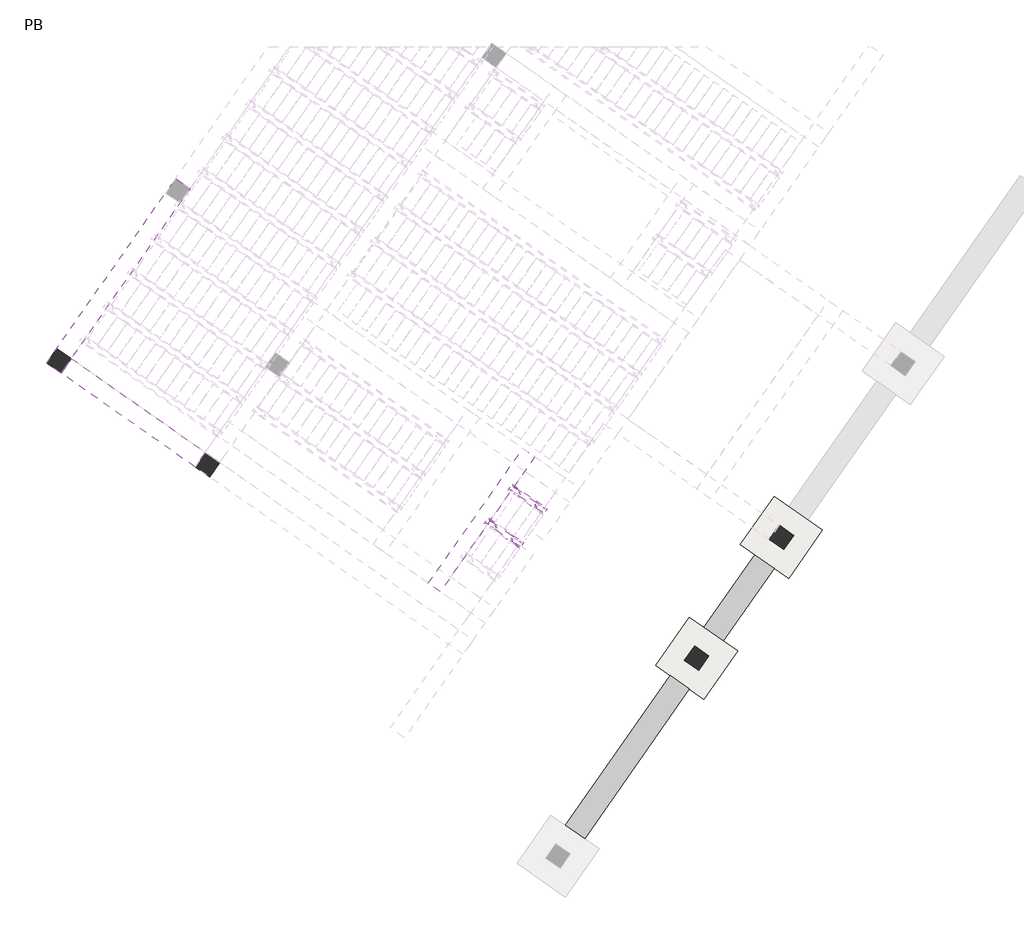
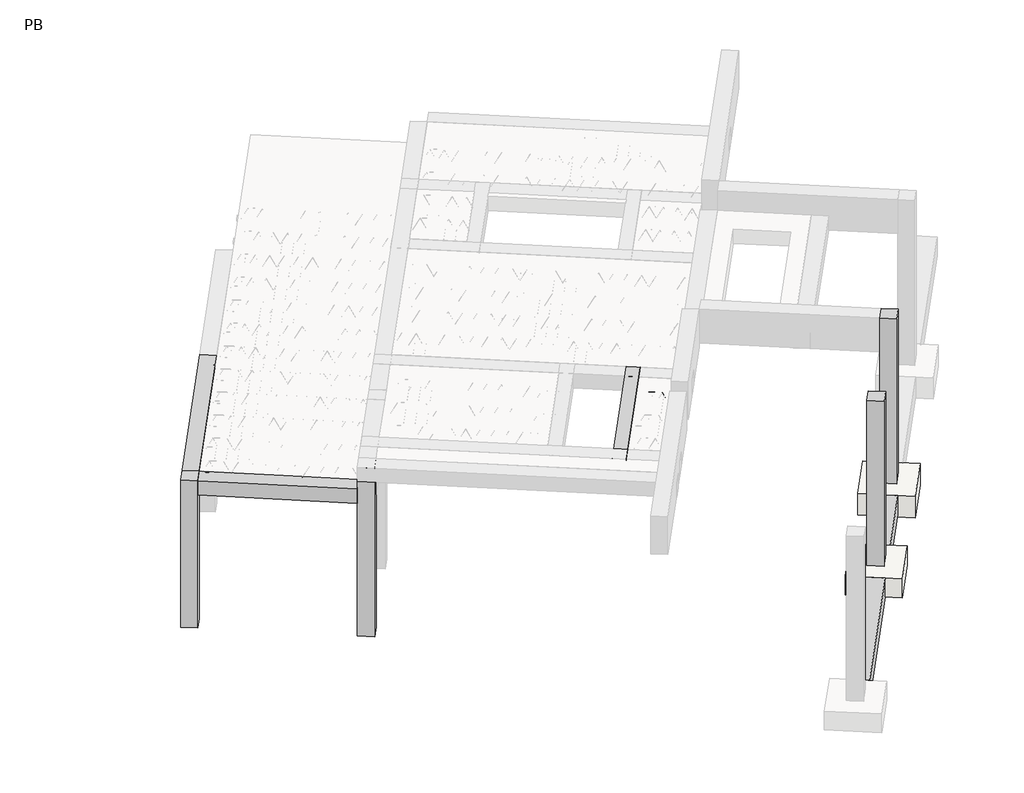
# One storey, part 4 of 56: 11 beams, 4 columns, 2 footings.
"""IFC4 building model written with IfcOpenShell, lengths in millimetres."""

from ifc_helpers import new_model, si_unit, point, frame, origin, origin_2d, place, context, project, spatial, polyline, circle_curve, trimmed, segment, composite_curve, outline, extrude, element, save

model = new_model("IFC4")

# Units and contexts
model_context = context("Model", 3, world=origin())
ifc_project = project(units=[si_unit("LENGTHUNIT", "METRE", prefix="MILLI")], contexts=[model_context])

# Site, building, storey
site = spatial("IfcSite", under=ifc_project)
building = spatial("IfcBuilding", under=site)
storey = spatial("IfcBuildingStorey", under=building, Name="PB", Elevation=95940.0)

# Beams
placement = place(None, origin())
element("IfcBeam", 1, at=placement, inside=storey, context=model_context, shape_type="SweptSolid", body=[
    extrude(outline(polyline([(7368.9831139, -5801.6008449), (7041.3222962, -5572.1702703), (8825.1267966, -3024.6334289), (9152.7876143, -3254.0640035), (7368.9831139, -5801.6008449)])), frame((0.0, 0.0, 96120.0), z_axis=(0.0, 0.0, 1.0), x_axis=(1.0, 0.0, 0.0)), (0.0, 0.0, 1.0), 400.0),
])
element("IfcBeam", 2, at=placement, inside=storey, context=model_context, shape_type="SweptSolid", body=[
    extrude(outline(polyline([(9726.3640506, -2434.9119592), (9398.7032329, -2205.4813846), (10264.8218686, -968.5357815), (10592.4826864, -1197.9663561), (9726.3640506, -2434.9119592)])), frame((0.0, 0.0, 96120.0), z_axis=(0.0, 0.0, 1.0), x_axis=(1.0, 0.0, 0.0)), (0.0, 0.0, 1.0), 400.0),
])
element("IfcBeam", 3, at=placement, inside=storey, context=model_context, shape_type="SweptSolid", body=[
    extrude(outline(polyline([(-1214.677489, 2669.8249768), (-1145.8483166, 2768.1232221), (1217.2245664, 1113.481776), (1148.395394, 1015.1835307), (-1214.677489, 2669.8249768)])), frame((0.0, 0.0, 98760.0), z_axis=(0.0, 0.0, 1.0), x_axis=(1.0, 0.0, 0.0)), (0.0, 0.0, 1.0), 50.0),
])
element("IfcBeam", 4, at=placement, inside=storey, context=model_context, shape_type="SweptSolid", body=[
    extrude(outline(composite_curve([segment(trimmed(circle_curve(origin_2d(), 2.5), [point((-2.5, 0.0))], [point((2.5, 0.0))], False, "CARTESIAN"), True, "CONTINUOUS"), segment(trimmed(circle_curve(origin_2d(), 2.5), [point((2.5, 0.0))], [point((-2.5, 0.0))], False, "CARTESIAN"), True, "CONTINUOUS")], self_intersect=False)), frame((6258.7979423, -824.7758428, 99245.0), z_axis=(-0.8191520442696126, 0.5735764363787226, 0.0), x_axis=(0.5735764363787226, 0.8191520442696126, 0.0)), (0.0, 0.0, 1.0), 682.3695664),
    extrude(outline(composite_curve([segment(trimmed(circle_curve(origin_2d(), 2.5), [point((-2.5, 0.0))], [point((2.5, 0.0))], False, "CARTESIAN"), True, "CONTINUOUS"), segment(trimmed(circle_curve(origin_2d(), 2.5), [point((2.5, 0.0))], [point((-2.5, 0.0))], False, "CARTESIAN"), True, "CONTINUOUS")], self_intersect=False)), frame((6143.3160892, -699.9666935, 99470.0), z_axis=(-0.8191520442696126, 0.5735764363787226, 0.0), x_axis=(0.5735764363787226, 0.8191520442696126, 0.0)), (0.0, 0.0, 1.0), 350.0),
    extrude(outline(composite_curve([segment(trimmed(circle_curve(origin_2d(), 2.5), [point((-2.5, 0.0))], [point((2.5, 0.0))], False, "CARTESIAN"), True, "CONTINUOUS"), segment(trimmed(circle_curve(origin_2d(), 2.5), [point((2.5, 0.0))], [point((-2.5, 0.0))], False, "CARTESIAN"), True, "CONTINUOUS")], self_intersect=False)), frame((6184.1037408, -772.4743998, 99245.0), z_axis=(-0.3145304735701046, 0.38933448886848654, 0.8657304643902053), x_axis=(0.7778747638402499, 0.6284193279813057, 0.0)), (0.0, 0.0, 1.0), 259.8961331),
    extrude(outline(composite_curve([segment(trimmed(circle_curve(origin_2d(), 2.5), [point((2.5, 0.0))], [point((-2.5, 0.0))], False, "CARTESIAN"), True, "CONTINUOUS"), segment(trimmed(circle_curve(origin_2d(), 2.5), [point((-2.5, 0.0))], [point((2.5, 0.0))], False, "CARTESIAN"), True, "CONTINUOUS")], self_intersect=False)), frame((5979.3157297, -629.0802907, 99245.0), z_axis=(0.47343050384693375, -0.16240172737369005, 0.8657304643902051), x_axis=(-0.3244721671091268, -0.9458952440791246, 0.0)), (0.0, 0.0, 1.0), 259.8961331),
    extrude(outline(composite_curve([segment(trimmed(circle_curve(origin_2d(), 2.5), [point((-2.5, 0.0))], [point((2.5, 0.0))], False, "CARTESIAN"), True, "CONTINUOUS"), segment(trimmed(circle_curve(origin_2d(), 2.5), [point((2.5, 0.0))], [point((-2.5, 0.0))], False, "CARTESIAN"), True, "CONTINUOUS")], self_intersect=False)), frame((5979.3157297, -629.0802907, 99245.0), z_axis=(-0.3145304735701046, 0.38933448886848654, 0.8657304643902053), x_axis=(0.7778747638402499, 0.6284193279813057, 0.0)), (0.0, 0.0, 1.0), 259.8961331),
    extrude(outline(composite_curve([segment(trimmed(circle_curve(origin_2d(), 2.5), [point((2.5, 0.0))], [point((-2.5, 0.0))], False, "CARTESIAN"), True, "CONTINUOUS"), segment(trimmed(circle_curve(origin_2d(), 2.5), [point((-2.5, 0.0))], [point((2.5, 0.0))], False, "CARTESIAN"), True, "CONTINUOUS")], self_intersect=False)), frame((5774.5277186, -485.6861816, 99245.0), z_axis=(0.47343050384693375, -0.16240172737369005, 0.8657304643902051), x_axis=(-0.3244721671091268, -0.9458952440791246, 0.0)), (0.0, 0.0, 1.0), 259.8961331),
    extrude(outline(composite_curve([segment(trimmed(circle_curve(origin_2d(), 2.5), [point((-2.4999999, 0.0))], [point((2.5, 0.0))], False, "CARTESIAN"), True, "CONTINUOUS"), segment(trimmed(circle_curve(origin_2d(), 2.5), [point((2.5, 0.0))], [point((-2.4999999, 0.0))], False, "CARTESIAN"), True, "CONTINUOUS")], self_intersect=False)), frame((6300.0954457, -765.7968956, 99245.0), z_axis=(-0.8191520442696126, 0.5735764363787226, 0.0), x_axis=(0.5735764363787226, 0.8191520442696126, 0.0)), (0.0, 0.0, 1.0), 682.3695664),
    extrude(outline(composite_curve([segment(trimmed(circle_curve(origin_2d(), 2.5), [point((-2.5, 0.0))], [point((2.5, 0.0))], False, "CARTESIAN"), True, "CONTINUOUS"), segment(trimmed(circle_curve(origin_2d(), 2.5), [point((2.5, 0.0))], [point((-2.5, 0.0))], False, "CARTESIAN"), True, "CONTINUOUS")], self_intersect=False)), frame((6225.4012442, -713.4954526, 99245.0), z_axis=(-0.47343050384693375, 0.16240172737369005, 0.8657304643902051), x_axis=(0.3244721671091268, 0.9458952440791246, 0.0)), (0.0, 0.0, 1.0), 259.8961331),
    extrude(outline(composite_curve([segment(trimmed(circle_curve(origin_2d(), 2.5), [point((2.5, 0.0))], [point((-2.5, 0.0))], False, "CARTESIAN"), True, "CONTINUOUS"), segment(trimmed(circle_curve(origin_2d(), 2.5), [point((-2.5, 0.0))], [point((2.5, 0.0))], False, "CARTESIAN"), True, "CONTINUOUS")], self_intersect=False)), frame((6020.6132331, -570.1013435, 99245.0), z_axis=(0.3145304735701046, -0.38933448886848654, 0.8657304643902053), x_axis=(-0.7778747638402499, -0.6284193279813057, 0.0)), (0.0, 0.0, 1.0), 259.8961331),
    extrude(outline(composite_curve([segment(trimmed(circle_curve(origin_2d(), 2.5), [point((-2.5, 0.0))], [point((2.5, 0.0))], False, "CARTESIAN"), True, "CONTINUOUS"), segment(trimmed(circle_curve(origin_2d(), 2.5), [point((2.5, 0.0))], [point((-2.5, 0.0))], False, "CARTESIAN"), True, "CONTINUOUS")], self_intersect=False)), frame((6020.6132331, -570.1013435, 99245.0), z_axis=(-0.47343050384693375, 0.16240172737369005, 0.8657304643902051), x_axis=(0.3244721671091268, 0.9458952440791246, 0.0)), (0.0, 0.0, 1.0), 259.8961331),
    extrude(outline(composite_curve([segment(trimmed(circle_curve(origin_2d(), 2.5), [point((2.5, 0.0))], [point((-2.5000001, 1e-07))], False, "CARTESIAN"), True, "CONTINUOUS"), segment(trimmed(circle_curve(origin_2d(), 2.5), [point((-2.5000001, 1e-07))], [point((2.5, 0.0))], False, "CARTESIAN"), True, "CONTINUOUS")], self_intersect=False)), frame((5815.825222, -426.7072344, 99245.0), z_axis=(0.3145304735701046, -0.38933448886848654, 0.8657304643902053), x_axis=(-0.7778747638402499, -0.6284193279813057, 0.0)), (0.0, 0.0, 1.0), 259.8961331),
])
element("IfcBeam", 5, at=placement, inside=storey, context=model_context, shape_type="SweptSolid", body=[
    extrude(outline(polyline([(5666.4080335, -439.2785532), (5735.2372059, -340.9803079), (6333.5209293, -759.903081), (6264.6917569, -858.2013263), (5666.4080335, -439.2785532)])), frame((0.0, 0.0, 99220.0), z_axis=(0.0, 0.0, 1.0), x_axis=(1.0, 0.0, 0.0)), (0.0, 0.0, 1.0), 50.0),
    extrude(outline(composite_curve([segment(trimmed(circle_curve(origin_2d(), 2.5), [point((-2.5, 0.0))], [point((2.5, 0.0))], False, "CARTESIAN"), True, "CONTINUOUS"), segment(trimmed(circle_curve(origin_2d(), 2.5), [point((2.5, 0.0))], [point((-2.5, 0.0))], False, "CARTESIAN"), True, "CONTINUOUS")], self_intersect=False)), frame((6258.7979423, -824.7758428, 99245.0), z_axis=(-0.8191520442696126, 0.5735764363787226, 0.0), x_axis=(0.5735764363787226, 0.8191520442696126, 0.0)), (0.0, 0.0, 1.0), 682.3695664),
    extrude(outline(composite_curve([segment(trimmed(circle_curve(origin_2d(), 2.5), [point((-2.5, 0.0))], [point((2.5, 0.0))], False, "CARTESIAN"), True, "CONTINUOUS"), segment(trimmed(circle_curve(origin_2d(), 2.5), [point((2.5, 0.0))], [point((-2.5, 0.0))], False, "CARTESIAN"), True, "CONTINUOUS")], self_intersect=False)), frame((6143.3160892, -699.9666935, 99470.0), z_axis=(-0.8191520442696126, 0.5735764363787226, 0.0), x_axis=(0.5735764363787226, 0.8191520442696126, 0.0)), (0.0, 0.0, 1.0), 350.0),
    extrude(outline(composite_curve([segment(trimmed(circle_curve(origin_2d(), 2.5), [point((-2.5, 0.0))], [point((2.5, 0.0))], False, "CARTESIAN"), True, "CONTINUOUS"), segment(trimmed(circle_curve(origin_2d(), 2.5), [point((2.5, 0.0))], [point((-2.5, 0.0))], False, "CARTESIAN"), True, "CONTINUOUS")], self_intersect=False)), frame((6184.1037408, -772.4743998, 99245.0), z_axis=(-0.3145304735701046, 0.38933448886848654, 0.8657304643902053), x_axis=(0.7778747638402499, 0.6284193279813057, 0.0)), (0.0, 0.0, 1.0), 259.8961331),
    extrude(outline(composite_curve([segment(trimmed(circle_curve(origin_2d(), 2.5), [point((2.5, 0.0))], [point((-2.5, 0.0))], False, "CARTESIAN"), True, "CONTINUOUS"), segment(trimmed(circle_curve(origin_2d(), 2.5), [point((-2.5, 0.0))], [point((2.5, 0.0))], False, "CARTESIAN"), True, "CONTINUOUS")], self_intersect=False)), frame((5979.3157297, -629.0802907, 99245.0), z_axis=(0.47343050384693375, -0.16240172737369005, 0.8657304643902051), x_axis=(-0.3244721671091268, -0.9458952440791246, 0.0)), (0.0, 0.0, 1.0), 259.8961331),
    extrude(outline(composite_curve([segment(trimmed(circle_curve(origin_2d(), 2.5), [point((-2.5, 0.0))], [point((2.5, 0.0))], False, "CARTESIAN"), True, "CONTINUOUS"), segment(trimmed(circle_curve(origin_2d(), 2.5), [point((2.5, 0.0))], [point((-2.5, 0.0))], False, "CARTESIAN"), True, "CONTINUOUS")], self_intersect=False)), frame((5979.3157297, -629.0802907, 99245.0), z_axis=(-0.3145304735701046, 0.38933448886848654, 0.8657304643902053), x_axis=(0.7778747638402499, 0.6284193279813057, 0.0)), (0.0, 0.0, 1.0), 259.8961331),
    extrude(outline(composite_curve([segment(trimmed(circle_curve(origin_2d(), 2.5), [point((2.5, 0.0))], [point((-2.5, 0.0))], False, "CARTESIAN"), True, "CONTINUOUS"), segment(trimmed(circle_curve(origin_2d(), 2.5), [point((-2.5, 0.0))], [point((2.5, 0.0))], False, "CARTESIAN"), True, "CONTINUOUS")], self_intersect=False)), frame((5774.5277186, -485.6861816, 99245.0), z_axis=(0.47343050384693375, -0.16240172737369005, 0.8657304643902051), x_axis=(-0.3244721671091268, -0.9458952440791246, 0.0)), (0.0, 0.0, 1.0), 259.8961331),
    extrude(outline(composite_curve([segment(trimmed(circle_curve(origin_2d(), 2.5), [point((-2.4999999, 0.0))], [point((2.5, 0.0))], False, "CARTESIAN"), True, "CONTINUOUS"), segment(trimmed(circle_curve(origin_2d(), 2.5), [point((2.5, 0.0))], [point((-2.4999999, 0.0))], False, "CARTESIAN"), True, "CONTINUOUS")], self_intersect=False)), frame((6300.0954457, -765.7968956, 99245.0), z_axis=(-0.8191520442696126, 0.5735764363787226, 0.0), x_axis=(0.5735764363787226, 0.8191520442696126, 0.0)), (0.0, 0.0, 1.0), 682.3695664),
    extrude(outline(composite_curve([segment(trimmed(circle_curve(origin_2d(), 2.5), [point((-2.5, 0.0))], [point((2.5, 0.0))], False, "CARTESIAN"), True, "CONTINUOUS"), segment(trimmed(circle_curve(origin_2d(), 2.5), [point((2.5, 0.0))], [point((-2.5, 0.0))], False, "CARTESIAN"), True, "CONTINUOUS")], self_intersect=False)), frame((6225.4012442, -713.4954526, 99245.0), z_axis=(-0.47343050384693375, 0.16240172737369005, 0.8657304643902051), x_axis=(0.3244721671091268, 0.9458952440791246, 0.0)), (0.0, 0.0, 1.0), 259.8961331),
    extrude(outline(composite_curve([segment(trimmed(circle_curve(origin_2d(), 2.5), [point((2.5, 0.0))], [point((-2.5, 0.0))], False, "CARTESIAN"), True, "CONTINUOUS"), segment(trimmed(circle_curve(origin_2d(), 2.5), [point((-2.5, 0.0))], [point((2.5, 0.0))], False, "CARTESIAN"), True, "CONTINUOUS")], self_intersect=False)), frame((6020.6132331, -570.1013435, 99245.0), z_axis=(0.3145304735701046, -0.38933448886848654, 0.8657304643902053), x_axis=(-0.7778747638402499, -0.6284193279813057, 0.0)), (0.0, 0.0, 1.0), 259.8961331),
    extrude(outline(composite_curve([segment(trimmed(circle_curve(origin_2d(), 2.5), [point((-2.5, 0.0))], [point((2.5, 0.0))], False, "CARTESIAN"), True, "CONTINUOUS"), segment(trimmed(circle_curve(origin_2d(), 2.5), [point((2.5, 0.0))], [point((-2.5, 0.0))], False, "CARTESIAN"), True, "CONTINUOUS")], self_intersect=False)), frame((6020.6132331, -570.1013435, 99245.0), z_axis=(-0.47343050384693375, 0.16240172737369005, 0.8657304643902051), x_axis=(0.3244721671091268, 0.9458952440791246, 0.0)), (0.0, 0.0, 1.0), 259.8961331),
    extrude(outline(composite_curve([segment(trimmed(circle_curve(origin_2d(), 2.5), [point((2.5, 0.0))], [point((-2.5000001, 1e-07))], False, "CARTESIAN"), True, "CONTINUOUS"), segment(trimmed(circle_curve(origin_2d(), 2.5), [point((-2.5000001, 1e-07))], [point((2.5, 0.0))], False, "CARTESIAN"), True, "CONTINUOUS")], self_intersect=False)), frame((5815.825222, -426.7072344, 99245.0), z_axis=(0.3145304735701046, -0.38933448886848654, 0.8657304643902053), x_axis=(-0.7778747638402499, -0.6284193279813057, 0.0)), (0.0, 0.0, 1.0), 259.8961331),
])
element("IfcBeam", 6, at=placement, inside=storey, context=model_context, shape_type="SweptSolid", body=[
    extrude(outline(polyline([(6067.911539, 134.1278778), (6136.7407114, 232.4261231), (6735.0244347, -186.49665), (6666.1952624, -284.7948953), (6067.911539, 134.1278778)])), frame((0.0, 0.0, 99220.0), z_axis=(0.0, 0.0, 1.0), x_axis=(1.0, 0.0, 0.0)), (0.0, 0.0, 1.0), 50.0),
])
element("IfcBeam", 7, at=placement, inside=storey, context=model_context, shape_type="SweptSolid", body=[
    extrude(outline(composite_curve([segment(trimmed(circle_curve(origin_2d(), 2.5), [point((-2.5, 0.0))], [point((2.5, 0.0))], False, "CARTESIAN"), True, "CONTINUOUS"), segment(trimmed(circle_curve(origin_2d(), 2.5), [point((2.5, 0.0))], [point((-2.5, 0.0))], False, "CARTESIAN"), True, "CONTINUOUS")], self_intersect=False)), frame((6660.3014478, -251.3694118, 99245.0), z_axis=(-0.8191520442696126, 0.5735764363787226, 0.0), x_axis=(0.5735764363787226, 0.8191520442696126, 0.0)), (0.0, 0.0, 1.0), 682.3695664),
    extrude(outline(composite_curve([segment(trimmed(circle_curve(origin_2d(), 2.5), [point((-2.5, 0.0))], [point((2.5, 0.0))], False, "CARTESIAN"), True, "CONTINUOUS"), segment(trimmed(circle_curve(origin_2d(), 2.5), [point((2.5, 0.0))], [point((-2.5, 0.0))], False, "CARTESIAN"), True, "CONTINUOUS")], self_intersect=False)), frame((6544.8195946, -126.5602625, 99470.0), z_axis=(-0.8191520442696126, 0.5735764363787226, 0.0), x_axis=(0.5735764363787226, 0.8191520442696126, 0.0)), (0.0, 0.0, 1.0), 350.0),
    extrude(outline(composite_curve([segment(trimmed(circle_curve(origin_2d(), 2.5), [point((-2.5, 0.0))], [point((2.5000001, -1e-07))], False, "CARTESIAN"), True, "CONTINUOUS"), segment(trimmed(circle_curve(origin_2d(), 2.5), [point((2.5000001, -1e-07))], [point((-2.5, 0.0))], False, "CARTESIAN"), True, "CONTINUOUS")], self_intersect=False)), frame((6585.6072462, -199.0679688, 99245.0), z_axis=(-0.3145304735701046, 0.38933448886848654, 0.8657304643902053), x_axis=(0.7778747638402499, 0.6284193279813057, 0.0)), (0.0, 0.0, 1.0), 259.8961331),
    extrude(outline(composite_curve([segment(trimmed(circle_curve(origin_2d(), 2.5), [point((2.5, -1e-07))], [point((-2.5, 0.0))], False, "CARTESIAN"), True, "CONTINUOUS"), segment(trimmed(circle_curve(origin_2d(), 2.5), [point((-2.5, 0.0))], [point((2.5, -1e-07))], False, "CARTESIAN"), True, "CONTINUOUS")], self_intersect=False)), frame((6380.8192352, -55.6738597, 99245.0), z_axis=(0.47343050384693375, -0.16240172737369005, 0.8657304643902051), x_axis=(-0.3244721671091268, -0.9458952440791246, 0.0)), (0.0, 0.0, 1.0), 259.8961331),
    extrude(outline(composite_curve([segment(trimmed(circle_curve(origin_2d(), 2.5), [point((-2.5, 0.0))], [point((2.5, 0.0))], False, "CARTESIAN"), True, "CONTINUOUS"), segment(trimmed(circle_curve(origin_2d(), 2.5), [point((2.5, 0.0))], [point((-2.5, 0.0))], False, "CARTESIAN"), True, "CONTINUOUS")], self_intersect=False)), frame((6380.8192352, -55.6738597, 99245.0), z_axis=(-0.3145304735701046, 0.38933448886848654, 0.8657304643902053), x_axis=(0.7778747638402499, 0.6284193279813057, 0.0)), (0.0, 0.0, 1.0), 259.8961331),
    extrude(outline(composite_curve([segment(trimmed(circle_curve(origin_2d(), 2.5), [point((2.5, 0.0))], [point((-2.5, 0.0))], False, "CARTESIAN"), True, "CONTINUOUS"), segment(trimmed(circle_curve(origin_2d(), 2.5), [point((-2.5, 0.0))], [point((2.5, 0.0))], False, "CARTESIAN"), True, "CONTINUOUS")], self_intersect=False)), frame((6176.0312241, 87.7202494, 99245.0), z_axis=(0.47343050384693375, -0.16240172737369005, 0.8657304643902051), x_axis=(-0.3244721671091268, -0.9458952440791246, 0.0)), (0.0, 0.0, 1.0), 259.8961331),
    extrude(outline(composite_curve([segment(trimmed(circle_curve(origin_2d(), 2.5), [point((-2.5, 0.0))], [point((2.5, 0.0))], False, "CARTESIAN"), True, "CONTINUOUS"), segment(trimmed(circle_curve(origin_2d(), 2.5), [point((2.5, 0.0))], [point((-2.5, 0.0))], False, "CARTESIAN"), True, "CONTINUOUS")], self_intersect=False)), frame((6701.5989512, -192.3904646, 99245.0), z_axis=(-0.8191520442696126, 0.5735764363787226, 0.0), x_axis=(0.5735764363787226, 0.8191520442696126, 0.0)), (0.0, 0.0, 1.0), 682.3695664),
    extrude(outline(composite_curve([segment(trimmed(circle_curve(origin_2d(), 2.5), [point((-2.5, 1e-07))], [point((2.5, 0.0))], False, "CARTESIAN"), True, "CONTINUOUS"), segment(trimmed(circle_curve(origin_2d(), 2.5), [point((2.5, 0.0))], [point((-2.5, 1e-07))], False, "CARTESIAN"), True, "CONTINUOUS")], self_intersect=False)), frame((6626.9047497, -140.0890216, 99245.0), z_axis=(-0.47343050384693375, 0.16240172737369005, 0.8657304643902051), x_axis=(0.3244721671091268, 0.9458952440791246, 0.0)), (0.0, 0.0, 1.0), 259.8961331),
    extrude(outline(composite_curve([segment(trimmed(circle_curve(origin_2d(), 2.5), [point((2.5, 0.0))], [point((-2.5, 0.0))], False, "CARTESIAN"), True, "CONTINUOUS"), segment(trimmed(circle_curve(origin_2d(), 2.5), [point((-2.5, 0.0))], [point((2.5, 0.0))], False, "CARTESIAN"), True, "CONTINUOUS")], self_intersect=False)), frame((6422.1167386, 3.3050875, 99245.0), z_axis=(0.3145304735701046, -0.38933448886848654, 0.8657304643902053), x_axis=(-0.7778747638402499, -0.6284193279813057, 0.0)), (0.0, 0.0, 1.0), 259.8961331),
    extrude(outline(composite_curve([segment(trimmed(circle_curve(origin_2d(), 2.5), [point((-2.5, 0.0))], [point((2.5, 0.0))], False, "CARTESIAN"), True, "CONTINUOUS"), segment(trimmed(circle_curve(origin_2d(), 2.5), [point((2.5, 0.0))], [point((-2.5, 0.0))], False, "CARTESIAN"), True, "CONTINUOUS")], self_intersect=False)), frame((6422.1167386, 3.3050875, 99245.0), z_axis=(-0.47343050384693375, 0.16240172737369005, 0.8657304643902051), x_axis=(0.3244721671091268, 0.9458952440791246, 0.0)), (0.0, 0.0, 1.0), 259.8961331),
    extrude(outline(composite_curve([segment(trimmed(circle_curve(origin_2d(), 2.5), [point((2.5, 0.0))], [point((-2.5, 0.0))], False, "CARTESIAN"), True, "CONTINUOUS"), segment(trimmed(circle_curve(origin_2d(), 2.5), [point((-2.5, 0.0))], [point((2.5, 0.0))], False, "CARTESIAN"), True, "CONTINUOUS")], self_intersect=False)), frame((6217.3287275, 146.6991966, 99245.0), z_axis=(0.3145304735701046, -0.38933448886848654, 0.8657304643902053), x_axis=(-0.7778747638402499, -0.6284193279813057, 0.0)), (0.0, 0.0, 1.0), 259.8961331),
])
element("IfcBeam", 8, at=placement, inside=storey, context=model_context, shape_type="SweptSolid", body=[
    extrude(outline(polyline([(6067.911539, 134.1278778), (6136.7407114, 232.4261231), (6735.0244347, -186.49665), (6666.1952624, -284.7948953), (6067.911539, 134.1278778)])), frame((0.0, 0.0, 99220.0), z_axis=(0.0, 0.0, 1.0), x_axis=(1.0, 0.0, 0.0)), (0.0, 0.0, 1.0), 50.0),
    extrude(outline(composite_curve([segment(trimmed(circle_curve(origin_2d(), 2.5), [point((-2.5, 0.0))], [point((2.5, 0.0))], False, "CARTESIAN"), True, "CONTINUOUS"), segment(trimmed(circle_curve(origin_2d(), 2.5), [point((2.5, 0.0))], [point((-2.5, 0.0))], False, "CARTESIAN"), True, "CONTINUOUS")], self_intersect=False)), frame((6660.3014478, -251.3694118, 99245.0), z_axis=(-0.8191520442696126, 0.5735764363787226, 0.0), x_axis=(0.5735764363787226, 0.8191520442696126, 0.0)), (0.0, 0.0, 1.0), 682.3695664),
    extrude(outline(composite_curve([segment(trimmed(circle_curve(origin_2d(), 2.5), [point((-2.5, 0.0))], [point((2.5, 0.0))], False, "CARTESIAN"), True, "CONTINUOUS"), segment(trimmed(circle_curve(origin_2d(), 2.5), [point((2.5, 0.0))], [point((-2.5, 0.0))], False, "CARTESIAN"), True, "CONTINUOUS")], self_intersect=False)), frame((6544.8195946, -126.5602625, 99470.0), z_axis=(-0.8191520442696126, 0.5735764363787226, 0.0), x_axis=(0.5735764363787226, 0.8191520442696126, 0.0)), (0.0, 0.0, 1.0), 350.0),
    extrude(outline(composite_curve([segment(trimmed(circle_curve(origin_2d(), 2.5), [point((-2.5, 0.0))], [point((2.5000001, -1e-07))], False, "CARTESIAN"), True, "CONTINUOUS"), segment(trimmed(circle_curve(origin_2d(), 2.5), [point((2.5000001, -1e-07))], [point((-2.5, 0.0))], False, "CARTESIAN"), True, "CONTINUOUS")], self_intersect=False)), frame((6585.6072462, -199.0679688, 99245.0), z_axis=(-0.3145304735701046, 0.38933448886848654, 0.8657304643902053), x_axis=(0.7778747638402499, 0.6284193279813057, 0.0)), (0.0, 0.0, 1.0), 259.8961331),
    extrude(outline(composite_curve([segment(trimmed(circle_curve(origin_2d(), 2.5), [point((2.5, -1e-07))], [point((-2.5, 0.0))], False, "CARTESIAN"), True, "CONTINUOUS"), segment(trimmed(circle_curve(origin_2d(), 2.5), [point((-2.5, 0.0))], [point((2.5, -1e-07))], False, "CARTESIAN"), True, "CONTINUOUS")], self_intersect=False)), frame((6380.8192352, -55.6738597, 99245.0), z_axis=(0.47343050384693375, -0.16240172737369005, 0.8657304643902051), x_axis=(-0.3244721671091268, -0.9458952440791246, 0.0)), (0.0, 0.0, 1.0), 259.8961331),
    extrude(outline(composite_curve([segment(trimmed(circle_curve(origin_2d(), 2.5), [point((-2.5, 0.0))], [point((2.5, 0.0))], False, "CARTESIAN"), True, "CONTINUOUS"), segment(trimmed(circle_curve(origin_2d(), 2.5), [point((2.5, 0.0))], [point((-2.5, 0.0))], False, "CARTESIAN"), True, "CONTINUOUS")], self_intersect=False)), frame((6380.8192352, -55.6738597, 99245.0), z_axis=(-0.3145304735701046, 0.38933448886848654, 0.8657304643902053), x_axis=(0.7778747638402499, 0.6284193279813057, 0.0)), (0.0, 0.0, 1.0), 259.8961331),
    extrude(outline(composite_curve([segment(trimmed(circle_curve(origin_2d(), 2.5), [point((2.5, 0.0))], [point((-2.5, 0.0))], False, "CARTESIAN"), True, "CONTINUOUS"), segment(trimmed(circle_curve(origin_2d(), 2.5), [point((-2.5, 0.0))], [point((2.5, 0.0))], False, "CARTESIAN"), True, "CONTINUOUS")], self_intersect=False)), frame((6176.0312241, 87.7202494, 99245.0), z_axis=(0.47343050384693375, -0.16240172737369005, 0.8657304643902051), x_axis=(-0.3244721671091268, -0.9458952440791246, 0.0)), (0.0, 0.0, 1.0), 259.8961331),
    extrude(outline(composite_curve([segment(trimmed(circle_curve(origin_2d(), 2.5), [point((-2.5, 0.0))], [point((2.5, 0.0))], False, "CARTESIAN"), True, "CONTINUOUS"), segment(trimmed(circle_curve(origin_2d(), 2.5), [point((2.5, 0.0))], [point((-2.5, 0.0))], False, "CARTESIAN"), True, "CONTINUOUS")], self_intersect=False)), frame((6701.5989512, -192.3904646, 99245.0), z_axis=(-0.8191520442696126, 0.5735764363787226, 0.0), x_axis=(0.5735764363787226, 0.8191520442696126, 0.0)), (0.0, 0.0, 1.0), 682.3695664),
    extrude(outline(composite_curve([segment(trimmed(circle_curve(origin_2d(), 2.5), [point((-2.5, 1e-07))], [point((2.5, 0.0))], False, "CARTESIAN"), True, "CONTINUOUS"), segment(trimmed(circle_curve(origin_2d(), 2.5), [point((2.5, 0.0))], [point((-2.5, 1e-07))], False, "CARTESIAN"), True, "CONTINUOUS")], self_intersect=False)), frame((6626.9047497, -140.0890216, 99245.0), z_axis=(-0.47343050384693375, 0.16240172737369005, 0.8657304643902051), x_axis=(0.3244721671091268, 0.9458952440791246, 0.0)), (0.0, 0.0, 1.0), 259.8961331),
    extrude(outline(composite_curve([segment(trimmed(circle_curve(origin_2d(), 2.5), [point((2.5, 0.0))], [point((-2.5, 0.0))], False, "CARTESIAN"), True, "CONTINUOUS"), segment(trimmed(circle_curve(origin_2d(), 2.5), [point((-2.5, 0.0))], [point((2.5, 0.0))], False, "CARTESIAN"), True, "CONTINUOUS")], self_intersect=False)), frame((6422.1167386, 3.3050875, 99245.0), z_axis=(0.3145304735701046, -0.38933448886848654, 0.8657304643902053), x_axis=(-0.7778747638402499, -0.6284193279813057, 0.0)), (0.0, 0.0, 1.0), 259.8961331),
    extrude(outline(composite_curve([segment(trimmed(circle_curve(origin_2d(), 2.5), [point((-2.5, 0.0))], [point((2.5, 0.0))], False, "CARTESIAN"), True, "CONTINUOUS"), segment(trimmed(circle_curve(origin_2d(), 2.5), [point((2.5, 0.0))], [point((-2.5, 0.0))], False, "CARTESIAN"), True, "CONTINUOUS")], self_intersect=False)), frame((6422.1167386, 3.3050875, 99245.0), z_axis=(-0.47343050384693375, 0.16240172737369005, 0.8657304643902051), x_axis=(0.3244721671091268, 0.9458952440791246, 0.0)), (0.0, 0.0, 1.0), 259.8961331),
    extrude(outline(composite_curve([segment(trimmed(circle_curve(origin_2d(), 2.5), [point((2.5, 0.0))], [point((-2.5, 0.0))], False, "CARTESIAN"), True, "CONTINUOUS"), segment(trimmed(circle_curve(origin_2d(), 2.5), [point((-2.5, 0.0))], [point((2.5, 0.0))], False, "CARTESIAN"), True, "CONTINUOUS")], self_intersect=False)), frame((6217.3287275, 146.6991966, 99245.0), z_axis=(0.3145304735701046, -0.38933448886848654, 0.8657304643902053), x_axis=(-0.7778747638402499, -0.6284193279813057, 0.0)), (0.0, 0.0, 1.0), 259.8961331),
])
element("IfcBeam", 9, at=placement, inside=storey, context=model_context, shape_type="SweptSolid", body=[
    extrude(outline(polyline([(-1534.9171125, 2124.7263702), (-1362.8441816, 2370.4719834), (918.0425403, 773.3779068), (745.9696094, 527.6322936), (-1534.9171125, 2124.7263702)])), frame((0.0, 0.0, 98760.0), z_axis=(0.0, 0.0, 1.0), x_axis=(1.0, 0.0, 0.0)), (0.0, 0.0, 1.0), 300.0),
])
element("IfcBeam", 10, at=placement, inside=storey, context=model_context, shape_type="SweptSolid", body=[
    extrude(outline(polyline([(-1535.0543122, 2124.8316614), (-1780.7999255, 2296.9045923), (414.2584237, 5431.7727982), (660.004037, 5259.6998673), (-1535.0543122, 2124.8316614)])), frame((0.0, 0.0, 98760.0), z_axis=(0.0, 0.0, 1.0), x_axis=(1.0, 0.0, 0.0)), (0.0, 0.0, 1.0), 300.0),
])
element("IfcBeam", 11, at=placement, inside=storey, context=model_context, shape_type="SweptSolid", body=[
    extrude(outline(polyline([(4917.9208523, -1595.4013677), (4713.1328413, -1452.0072586), (6319.3502843, 841.9089809), (6524.1382954, 698.5148718), (4917.9208523, -1595.4013677)])), frame((0.0, 0.0, 99220.0), z_axis=(0.0, 0.0, 1.0), x_axis=(1.0, 0.0, 0.0)), (0.0, 0.0, 1.0), 300.0),
])

# Columns
element("IfcColumn", 12, ObjectType="DirectShapeType 3937", at=placement, inside=storey, context=model_context, shape_type="SweptSolid", body=[
    extrude(outline(polyline([(9484.6546957, -2692.9363529), (9312.5817648, -2938.6819661), (9066.8361515, -2766.6090352), (9238.9090824, -2520.8634219), (9484.6546957, -2692.9363529)])), frame((0.0, 0.0, 96520.0), z_axis=(0.0, 0.0, 1.0), x_axis=(1.0, 0.0, 0.0)), (0.0, 0.0, 1.0), 3500.0),
])
element("IfcColumn", 13, ObjectType="DirectShapeType 3937", at=placement, inside=storey, context=model_context, shape_type="SweptSolid", body=[
    extrude(outline(polyline([(10924.3497678, -636.8387055), (10752.2768369, -882.5843188), (10506.5312236, -710.5113878), (10678.6041545, -464.7657746), (10924.3497678, -636.8387055)])), frame((0.0, 0.0, 96520.0), z_axis=(0.0, 0.0, 1.0), x_axis=(1.0, 0.0, 0.0)), (0.0, 0.0, 1.0), 3500.0),
])
element("IfcColumn", 14, ObjectType="DirectShapeType 3937", at=placement, inside=storey, context=model_context, shape_type="SweptSolid", body=[
    extrude(outline(polyline([(1163.7858421, 601.3016748), (991.7129112, 355.5560615), (745.9672979, 527.6289924), (918.0402288, 773.3746057), (1163.7858421, 601.3016748)])), frame((0.0, 0.0, 95940.0), z_axis=(0.0, 0.0, 1.0), x_axis=(1.0, 0.0, 0.0)), (0.0, 0.0, 1.0), 3580.0),
])
element("IfcColumn", 15, ObjectType="DirectShapeType 3937", at=placement, inside=storey, context=model_context, shape_type="SweptSolid", body=[
    extrude(outline(polyline([(-1362.8464931, 2370.4686823), (-1534.919424, 2124.723069), (-1780.6650373, 2296.7959999), (-1608.5921064, 2542.5416132), (-1362.8464931, 2370.4686823)])), frame((0.0, 0.0, 95940.0), z_axis=(0.0, 0.0, 1.0), x_axis=(1.0, 0.0, 0.0)), (0.0, 0.0, 1.0), 3120.0),
])

# Footings
element("IfcFooting", 16, at=placement, inside=storey, context=model_context, shape_type="SweptSolid", body=[
    extrude(outline(polyline([(9972.1096639, -2606.9848901), (9398.5332275, -3426.1369344), (8579.3811833, -2852.560498), (9152.9576196, -2033.4084537), (9972.1096639, -2606.9848901)])), frame((0.0, 0.0, 96120.0), z_axis=(0.0, 0.0, 1.0), x_axis=(1.0, 0.0, 0.0)), (0.0, 0.0, 1.0), 400.0),
])
element("IfcFooting", 17, at=placement, inside=storey, context=model_context, shape_type="SweptSolid", body=[
    extrude(outline(polyline([(11411.804736, -550.8872427), (10838.2282996, -1370.039287), (10019.0762554, -796.4628506), (10592.6526917, 22.6891937), (11411.804736, -550.8872427)])), frame((0.0, 0.0, 96070.0), z_axis=(0.0, 0.0, 1.0), x_axis=(1.0, 0.0, 0.0)), (0.0, 0.0, 1.0), 450.0),
])

save(model, "model.ifc")
